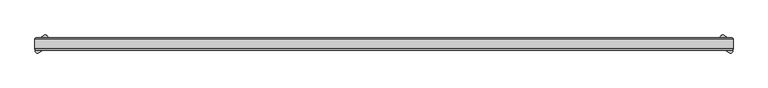
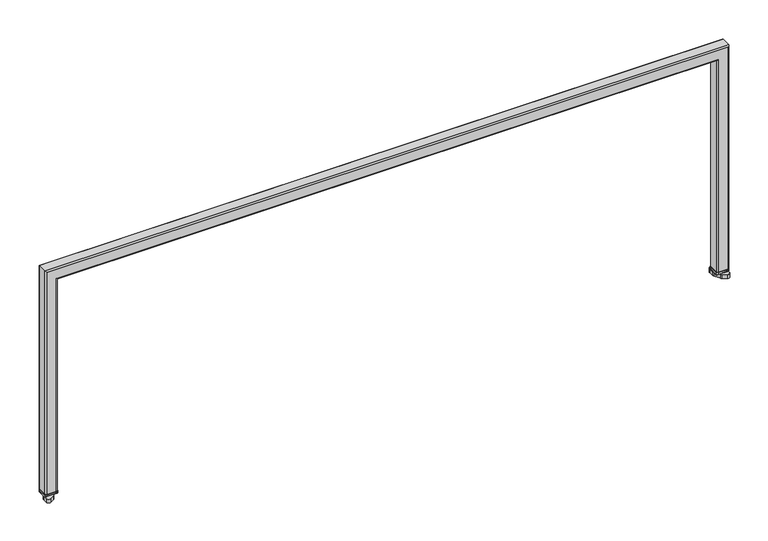
"""IFC4 building model written with IfcOpenShell, lengths in millimetres: furniture geometry."""

from ifc_helpers import new_model, si_unit, point, frame, frame_2d, origin, place, context, project, spatial, polyline, circle_curve, ellipse_curve, trimmed, segment, composite_curve, outline, extrude, source, transform, mapped, element, save
from ifc_brep_helpers import plane_surface, cylinder_surface, advanced_brep


def furniture_d32cfbd9(model_context):
    return source(origin(), model_context, "Body", "SolidModel", [
        extrude(outline(composite_curve([segment(polyline([(-7.2364792, 675.0058187), (7.2364792, 675.0058187), (7.2364792, 674.1087981)]), True, "CONTINUOUS"), segment(trimmed(circle_curve(frame_2d((5.9744746, 674.1087981)), 1.2620045), [point((7.2364792, 674.1087981))], [point((5.9744746, 672.8467936))], False, "CARTESIAN"), True, "CONTINUOUS"), segment(polyline([(5.9744746, 672.8467936), (-5.9744746, 672.8467936)]), True, "CONTINUOUS"), segment(trimmed(circle_curve(frame_2d((-5.9744746, 674.1087981)), 1.2620045), [point((-5.9744746, 672.8467936))], [point((-7.2364792, 674.1087981))], False, "CARTESIAN"), True, "CONTINUOUS"), segment(polyline([(-7.2364792, 674.1087981), (-7.2364792, 675.0058187)]), True, "CONTINUOUS")], self_intersect=False)), frame((1073.1296395, 0.0, 0.0), z_axis=(1.0, 0.0, 0.0), x_axis=(0.0, 1.0, 0.0)), (0.0, 0.0, 1.0), 19.1953286),
        extrude(outline(composite_curve([segment(polyline([(-7.2364792, 675.0058187), (7.2364792, 675.0058187), (7.2364792, 674.1087981)]), True, "CONTINUOUS"), segment(trimmed(circle_curve(frame_2d((5.9744746, 674.1087981)), 1.2620045), [point((7.2364792, 674.1087981))], [point((5.9744746, 672.8467936))], False, "CARTESIAN"), True, "CONTINUOUS"), segment(polyline([(5.9744746, 672.8467936), (-5.9744746, 672.8467936)]), True, "CONTINUOUS"), segment(trimmed(circle_curve(frame_2d((-5.9744746, 674.1087981)), 1.2620045), [point((-5.9744746, 672.8467936))], [point((-7.2364792, 674.1087981))], False, "CARTESIAN"), True, "CONTINUOUS"), segment(polyline([(-7.2364792, 674.1087981), (-7.2364792, 675.0058187)]), True, "CONTINUOUS")], self_intersect=False)), frame((25.2749993, 0.0, 0.0), z_axis=(1.0, 0.0, 0.0), x_axis=(0.0, 1.0, 0.0)), (0.0, 0.0, 1.0), 19.1953286),
        extrude(outline(composite_curve([segment(polyline([(26.3386581, -0.8529733), (31.6125979, 8.2817572)]), True, "CONTINUOUS"), segment(trimmed(circle_curve(frame_2d((35.0973135, 6.2698555)), 4.0238031), [point((31.6125979, 8.2817572))], [point((33.0854119, 9.7545712))], False, "CARTESIAN"), True, "CONTINUOUS"), segment(polyline([(33.0854119, 9.7545712), (39.3451914, 13.3686567)]), True, "CONTINUOUS"), segment(trimmed(circle_curve(frame_2d((41.1267944, 10.28283)), 3.5632058), [point((39.3451914, 13.3686567))], [point((44.6900002, 10.28283))], False, "CARTESIAN"), True, "CONTINUOUS"), segment(polyline([(44.6900002, 10.28283), (44.6900002, 3.2599238)]), True, "CONTINUOUS"), segment(trimmed(circle_curve(frame_2d((39.9001342, 3.2599238)), 4.789866), [point((44.6900002, 3.2599238))], [point((44.0482801, 0.8649913))], False, "CARTESIAN"), True, "CONTINUOUS"), segment(polyline([(44.0482801, 0.8649913), (38.823525, -8.1845526)]), True, "CONTINUOUS"), segment(trimmed(circle_curve(frame_2d((34.9760498, -5.9632124)), 4.4426814), [point((38.823525, -8.1845526))], [point((37.1973915, -9.8106867))], False, "CARTESIAN"), True, "CONTINUOUS"), segment(polyline([(37.1973915, -9.8106867), (31.0348127, -13.3686553)]), True, "CONTINUOUS"), segment(trimmed(circle_curve(frame_2d((29.253209, -10.282829)), 3.5632058), [point((31.0348127, -13.3686553))], [point((25.6900032, -10.2828298))], False, "CARTESIAN"), True, "CONTINUOUS"), segment(polyline([(25.6900032, -10.2828298), (25.6900016, -3.2737934)]), True, "CONTINUOUS"), segment(trimmed(circle_curve(frame_2d((30.5316391, -3.2737923)), 4.8416375), [point((25.6900016, -3.2737934))], [point((26.3386581, -0.8529733))], False, "CARTESIAN"), True, "CONTINUOUS")], self_intersect=False)), frame((0.0, 0.0, 666.4968178), z_axis=(0.0, 0.0, 1.0), x_axis=(1.0, 0.0, 0.0)), (0.0, 0.0, 1.0), 6.3499758),
        extrude(outline(composite_curve([segment(trimmed(circle_curve(frame_2d((1087.0683852, -3.2737923)), 4.8416375), [point((1091.2613661, -0.8529733))], [point((1091.9100226, -3.2737934))], False, "CARTESIAN"), True, "CONTINUOUS"), segment(polyline([(1091.9100226, -3.2737934), (1091.910021, -10.2828298)]), True, "CONTINUOUS"), segment(trimmed(circle_curve(frame_2d((1088.3468152, -10.282829)), 3.5632058), [point((1091.910021, -10.2828298))], [point((1086.5652115, -13.3686553))], False, "CARTESIAN"), True, "CONTINUOUS"), segment(polyline([(1086.5652115, -13.3686553), (1080.4026327, -9.8106867)]), True, "CONTINUOUS"), segment(trimmed(circle_curve(frame_2d((1082.6239744, -5.9632124)), 4.4426814), [point((1080.4026327, -9.8106867))], [point((1078.7764992, -8.1845526))], False, "CARTESIAN"), True, "CONTINUOUS"), segment(polyline([(1078.7764992, -8.1845526), (1073.5517441, 0.8649913)]), True, "CONTINUOUS"), segment(trimmed(circle_curve(frame_2d((1077.6998901, 3.2599238)), 4.789866), [point((1073.5517441, 0.8649913))], [point((1072.910024, 3.2599238))], False, "CARTESIAN"), True, "CONTINUOUS"), segment(polyline([(1072.910024, 3.2599238), (1072.910024, 10.28283)]), True, "CONTINUOUS"), segment(trimmed(circle_curve(frame_2d((1076.4732298, 10.28283)), 3.5632058), [point((1072.910024, 10.28283))], [point((1078.2548328, 13.3686567))], False, "CARTESIAN"), True, "CONTINUOUS"), segment(polyline([(1078.2548328, 13.3686567), (1084.5146123, 9.7545712)]), True, "CONTINUOUS"), segment(trimmed(circle_curve(frame_2d((1082.5027107, 6.2698555)), 4.0238031), [point((1084.5146123, 9.7545712))], [point((1085.9874263, 8.2817572))], False, "CARTESIAN"), True, "CONTINUOUS"), segment(polyline([(1085.9874263, 8.2817572), (1091.2613661, -0.8529733)]), True, "CONTINUOUS")], self_intersect=False)), frame((0.0, 0.0, 666.4968178), z_axis=(0.0, 0.0, 1.0), x_axis=(1.0, 0.0, 0.0)), (0.0, 0.0, 1.0), 6.3499758),
        extrude(outline(composite_curve([segment(trimmed(circle_curve(frame_2d((42.5514816, 7.3614829)), 2.4285173), [point((42.5514816, 9.7900002))], [point((44.9799988, 7.3614829))], False, "CARTESIAN"), True, "CONTINUOUS"), segment(polyline([(44.9799988, 7.3614829), (44.9799988, -7.3614801)]), True, "CONTINUOUS"), segment(trimmed(circle_curve(frame_2d((42.5514787, -7.3614801)), 2.4285201), [point((44.9799988, -7.3614801))], [point((42.5514787, -9.7900002))], False, "CARTESIAN"), True, "CONTINUOUS"), segment(polyline([(42.5514787, -9.7900002), (27.8285203, -9.7900002)]), True, "CONTINUOUS"), segment(trimmed(circle_curve(frame_2d((27.8285203, -7.2364792)), 2.553521), [point((27.8285203, -9.7900002))], [point((25.2749993, -7.2364792))], False, "CARTESIAN"), True, "CONTINUOUS"), segment(polyline([(25.2749993, -7.2364792), (25.2749993, 7.2364792)]), True, "CONTINUOUS"), segment(trimmed(circle_curve(frame_2d((27.8285203, 7.2364792)), 2.553521), [point((25.2749993, 7.2364792))], [point((27.8285203, 9.7900002))], False, "CARTESIAN"), True, "CONTINUOUS"), segment(polyline([(27.8285203, 9.7900002), (42.5514816, 9.7900002)]), True, "CONTINUOUS")], self_intersect=False)), frame((0.0, 0.0, 675.0058187), z_axis=(0.0, 0.0, 1.0), x_axis=(1.0, 0.0, 0.0)), (0.0, 0.0, 1.0), 3.0499592),
        extrude(outline(composite_curve([segment(polyline([(1075.0485427, 9.7900002), (1089.7715039, 9.7900002)]), True, "CONTINUOUS"), segment(trimmed(circle_curve(frame_2d((1089.7715039, 7.2364792)), 2.553521), [point((1089.7715039, 9.7900002))], [point((1092.3250249, 7.2364792))], False, "CARTESIAN"), True, "CONTINUOUS"), segment(polyline([(1092.3250249, 7.2364792), (1092.3250249, -7.2364792)]), True, "CONTINUOUS"), segment(trimmed(circle_curve(frame_2d((1089.7715039, -7.2364792)), 2.553521), [point((1092.3250249, -7.2364792))], [point((1089.7715039, -9.7900002))], False, "CARTESIAN"), True, "CONTINUOUS"), segment(polyline([(1089.7715039, -9.7900002), (1075.0485455, -9.7900002)]), True, "CONTINUOUS"), segment(trimmed(circle_curve(frame_2d((1075.0485455, -7.3614801)), 2.4285201), [point((1075.0485455, -9.7900002))], [point((1072.6200254, -7.3614801))], False, "CARTESIAN"), True, "CONTINUOUS"), segment(polyline([(1072.6200254, -7.3614801), (1072.6200254, 7.3614829)]), True, "CONTINUOUS"), segment(trimmed(circle_curve(frame_2d((1075.0485427, 7.3614829)), 2.4285173), [point((1072.6200254, 7.3614829))], [point((1075.0485427, 9.7900002))], False, "CARTESIAN"), True, "CONTINUOUS")], self_intersect=False)), frame((0.0, 0.0, 675.0058187), z_axis=(0.0, 0.0, 1.0), x_axis=(1.0, 0.0, 0.0)), (0.0, 0.0, 1.0), 3.0499592),
        advanced_brep(
        [(44.3249993, 7.2389999, 678.0557779), (44.3249993, -7.2389999, 678.0557779), (42.0389992, -9.525, 678.0557779), (27.5609994, -9.525, 678.0557779), (25.2749993, -7.2389999, 678.0557779), (25.2749993, 7.2389999, 678.0557779), (27.5609994, 9.525, 678.0557779), (42.0389992, 9.525, 678.0557779), (44.3249993, 7.2389999, 1027.655805), (44.3249993, -7.2389999, 1027.655805), (42.0389992, -9.525, 1029.9418051), (1075.5609682, -9.525, 1029.9418051), (1075.5609682, -9.525, 678.0557779), (1090.0389681, -9.525, 678.0557779), (1090.0389681, -9.525, 1044.4198049), (27.5609994, -9.525, 1044.4198049), (25.2749993, -7.2389999, 1046.705805), (25.2749993, 7.2389999, 1046.705805), (27.5609994, 9.525, 1044.4198049), (1090.0389681, 9.525, 1044.4198049), (1090.0389681, 9.525, 678.0557779), (1075.5609682, 9.525, 678.0557779), (1075.5609682, 9.525, 1029.9418051), (42.0389992, 9.525, 1029.9418051), (1073.2749681, 7.2389999, 1027.655805), (1073.2749681, -7.2389999, 1027.655805), (1092.3249681, -7.2389999, 1046.705805), (1092.3249681, 7.2389999, 1046.705805), (1073.2749681, 7.2389999, 678.0557779), (1092.3249681, 7.2389999, 678.0557779), (1092.3249681, -7.2389999, 678.0557779), (1073.2749681, -7.2389999, 678.0557779)],
        [
            (0, 1),
            (1, 2, circle_curve(frame((42.0389992, -7.2389999, 678.0557779), z_axis=(0.0, 0.0, -1.0), x_axis=(-1.0, 0.0, 0.0)), 2.2860001)),
            (2, 3),
            (3, 4, circle_curve(frame((27.5609994, -7.2389999, 678.0557779), z_axis=(0.0, 0.0, -1.0), x_axis=(-1.0, 0.0, 0.0)), 2.2860001)),
            (4, 5),
            (5, 6, circle_curve(frame((27.5609994, 7.2389999, 678.0557779), z_axis=(0.0, 0.0, -1.0), x_axis=(-1.0, 0.0, 0.0)), 2.2860001)),
            (6, 7),
            (7, 0, circle_curve(frame((42.0389992, 7.2389999, 678.0557779), z_axis=(0.0, 0.0, -1.0), x_axis=(-1.0, 0.0, 0.0)), 2.2860001)),
            (0, 8),
            (8, 9),
            (9, 1),
            (9, 10, ellipse_curve(frame((42.0389992, -7.2389999, 1029.9418051), z_axis=(-0.7071067811865492, 0.0, -0.7071067811865458), x_axis=(0.7071067811865458, 0.0, -0.7071067811865492)), 3.2328923, 2.2860001)),
            (10, 2),
            (10, 11),
            (11, 12),
            (12, 13),
            (13, 14),
            (14, 15),
            (15, 3),
            (15, 16, ellipse_curve(frame((27.5609994, -7.2389999, 1044.4198049), z_axis=(-0.7071067811865492, 0.0, -0.7071067811865458), x_axis=(0.7071067811865458, 0.0, -0.7071067811865492)), 3.2328923, 2.2860001)),
            (16, 4),
            (16, 17),
            (17, 5),
            (17, 18, ellipse_curve(frame((27.5609994, 7.2389999, 1044.4198049), z_axis=(-0.7071067811865492, 0.0, -0.7071067811865458), x_axis=(0.7071067811865458, 0.0, -0.7071067811865492)), 3.2328923, 2.2860001)),
            (18, 6),
            (18, 19),
            (19, 20),
            (20, 21),
            (21, 22),
            (22, 23),
            (23, 7),
            (23, 8, ellipse_curve(frame((42.0389992, 7.2389999, 1029.9418051), z_axis=(-0.7071067811865492, 0.0, -0.7071067811865458), x_axis=(0.7071067811865458, 0.0, -0.7071067811865492)), 3.2328923, 2.2860001)),
            (8, 24),
            (24, 25),
            (25, 9),
            (25, 11, ellipse_curve(frame((1075.5609682, -7.2389999, 1029.9418051), z_axis=(-0.707106781186546, 0.0, 0.7071067811865491), x_axis=(-0.7071067811865489, 0.0, -0.707106781186546)), 3.2328923, 2.2860001)),
            (14, 26, ellipse_curve(frame((1090.0389681, -7.2389999, 1044.4198049), z_axis=(-0.707106781186546, 0.0, 0.7071067811865491), x_axis=(-0.7071067811865489, 0.0, -0.707106781186546)), 3.2328923, 2.2860001)),
            (26, 16),
            (26, 27),
            (27, 17),
            (27, 19, ellipse_curve(frame((1090.0389681, 7.2389999, 1044.4198049), z_axis=(-0.707106781186546, 0.0, 0.7071067811865491), x_axis=(-0.7071067811865489, 0.0, -0.707106781186546)), 3.2328923, 2.2860001)),
            (22, 24, ellipse_curve(frame((1075.5609682, 7.2389999, 1029.9418051), z_axis=(-0.707106781186546, 0.0, 0.7071067811865491), x_axis=(-0.7071067811865489, 0.0, -0.707106781186546)), 3.2328923, 2.2860001)),
            (28, 21, circle_curve(frame((1075.5609682, 7.2389999, 678.0557779), z_axis=(0.0, 0.0, -1.0), x_axis=(1.0, 0.0, 0.0)), 2.2860001)),
            (20, 29, circle_curve(frame((1090.0389681, 7.2389999, 678.0557779), z_axis=(0.0, 0.0, -1.0), x_axis=(1.0, 0.0, 0.0)), 2.2860001)),
            (29, 30),
            (30, 13, circle_curve(frame((1090.0389681, -7.2389999, 678.0557779), z_axis=(0.0, 0.0, -1.0), x_axis=(1.0, 0.0, 0.0)), 2.2860001)),
            (12, 31, circle_curve(frame((1075.5609682, -7.2389999, 678.0557779), z_axis=(0.0, 0.0, -1.0), x_axis=(1.0, 0.0, 0.0)), 2.2860001)),
            (31, 28),
            (24, 28),
            (31, 25),
            (30, 26),
            (29, 27),
        ],
        [
            plane_surface(frame((25.2749993, 0.0, 678.0557779), z_axis=(0.0, 0.0, -1.0), x_axis=(0.0, -1.0, 0.0))),
            plane_surface(frame((44.3249993, 7.2389999, 678.0557779), z_axis=(1.0, 0.0, 0.0), x_axis=(0.0, 0.0, 1.0))),
            cylinder_surface(frame((42.0389992, -7.2389999, 678.0557779), z_axis=(0.0, 0.0, -1.0), x_axis=(-1.0, 0.0, 0.0)), 2.2860001),
            plane_surface(frame((42.0389992, -9.525, 678.0557779), z_axis=(0.0, -1.0, 0.0), x_axis=(0.0, 0.0, 1.0))),
            cylinder_surface(frame((27.5609994, -7.2389999, 678.0557779), z_axis=(0.0, 0.0, -1.0), x_axis=(-1.0, 0.0, 0.0)), 2.2860001),
            plane_surface(frame((25.2749993, -7.2389999, 678.0557779), z_axis=(-1.0, 0.0, 0.0), x_axis=(0.0, 0.0, 1.0))),
            cylinder_surface(frame((27.5609994, 7.2389999, 678.0557779), z_axis=(0.0, 0.0, -1.0), x_axis=(-1.0, 0.0, 0.0)), 2.2860001),
            plane_surface(frame((27.5609994, 9.525, 678.0557779), z_axis=(0.0, 1.0, 0.0), x_axis=(0.0, 0.0, 1.0))),
            cylinder_surface(frame((42.0389992, 7.2389999, 678.0557779), z_axis=(0.0, 0.0, -1.0), x_axis=(-1.0, 0.0, 0.0)), 2.2860001),
            plane_surface(frame((44.3249993, 7.2389999, 1027.655805), z_axis=(0.0, 0.0, -1.0), x_axis=(1.0, 0.0, 0.0))),
            cylinder_surface(frame((25.2749993, -7.2389999, 1029.9418051), z_axis=(-1.0, 0.0, 0.0), x_axis=(0.0, 0.0, 1.0)), 2.2860001),
            cylinder_surface(frame((25.2749993, -7.2389999, 1044.4198049), z_axis=(-1.0, 0.0, 0.0), x_axis=(0.0, 0.0, 1.0)), 2.2860001),
            plane_surface(frame((25.2749993, -7.2389999, 1046.705805), z_axis=(0.0, 0.0, 1.0), x_axis=(1.0, 0.0, 0.0))),
            cylinder_surface(frame((25.2749993, 7.2389999, 1044.4198049), z_axis=(-1.0, 0.0, 0.0), x_axis=(0.0, 0.0, 1.0)), 2.2860001),
            cylinder_surface(frame((25.2749993, 7.2389999, 1029.9418051), z_axis=(-1.0, 0.0, 0.0), x_axis=(0.0, 0.0, 1.0)), 2.2860001),
            plane_surface(frame((1092.3249681, 0.0, 678.0557779), z_axis=(0.0, 0.0, -1.0), x_axis=(0.0, -1.0, 0.0))),
            plane_surface(frame((1073.2749681, 7.2389999, 1027.655805), z_axis=(-1.0, 0.0, 0.0), x_axis=(0.0, 0.0, -1.0))),
            cylinder_surface(frame((1075.5609682, -7.2389999, 1046.705805), z_axis=(0.0, 0.0, 1.0), x_axis=(1.0, 0.0, 0.0)), 2.2860001),
            cylinder_surface(frame((1090.0389681, -7.2389999, 1046.705805), z_axis=(0.0, 0.0, 1.0), x_axis=(1.0, 0.0, 0.0)), 2.2860001),
            plane_surface(frame((1092.3249681, -7.2389999, 1046.705805), z_axis=(1.0, 0.0, 0.0), x_axis=(0.0, 0.0, -1.0))),
            cylinder_surface(frame((1090.0389681, 7.2389999, 1046.705805), z_axis=(0.0, 0.0, 1.0), x_axis=(1.0, 0.0, 0.0)), 2.2860001),
            cylinder_surface(frame((1075.5609682, 7.2389999, 1046.705805), z_axis=(0.0, 0.0, 1.0), x_axis=(1.0, 0.0, 0.0)), 2.2860001),
        ],
        [
            (0, [[1, 2, 3, 4, 5, 6, 7, 8]]),
            (1, [[-1, 9, 10, 11]]),
            (2, [[-2, -11, 12, 13]]),
            (3, [[-3, -13, 14, 15, 16, 17, 18, 19]]),
            (4, [[-4, -19, 20, 21]]),
            (5, [[-5, -21, 22, 23]]),
            (6, [[-6, -23, 24, 25]]),
            (7, [[-7, -25, 26, 27, 28, 29, 30, 31]]),
            (8, [[-8, -31, 32, -9]]),
            (9, [[-10, 33, 34, 35]]),
            (10, [[-12, -35, 36, -14]]),
            (11, [[-20, -18, 37, 38]]),
            (12, [[-22, -38, 39, 40]]),
            (13, [[-24, -40, 41, -26]]),
            (14, [[-32, -30, 42, -33]]),
            (15, [[43, -28, 44, 45, 46, -16, 47, 48]]),
            (16, [[-34, 49, -48, 50]]),
            (17, [[-36, -50, -47, -15]]),
            (18, [[-37, -17, -46, 51]]),
            (19, [[-39, -51, -45, 52]]),
            (20, [[-41, -52, -44, -27]]),
            (21, [[-42, -29, -43, -49]]),
        ],
    ),
    ])


if __name__ == "__main__":
    model = new_model("IFC4")
    model_context = context("Model", 3, world=origin())
    ifc_project = project(units=[si_unit("LENGTHUNIT", "METRE", prefix="MILLI")], contexts=[model_context])
    site = spatial("IfcSite", under=ifc_project)
    building = spatial("IfcBuilding", under=site)
    placement = place(None, origin())
    furniture_shape = furniture_d32cfbd9(model_context)
    element("IfcFurniture", 1, at=placement, inside=building, context=model_context, shape_type="MappedRepresentation", body=[
        mapped(furniture_shape, transform((0.0, 0.0, 0.0), x_axis=(1.0, 0.0, 0.0), y_axis=(0.0, 1.0, 0.0), z_axis=(0.0, 0.0, 1.0))),
    ])
    save(model, "model.ifc")
